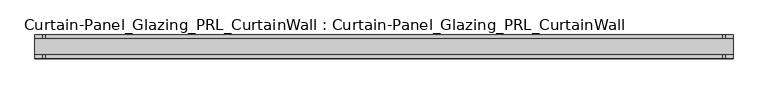
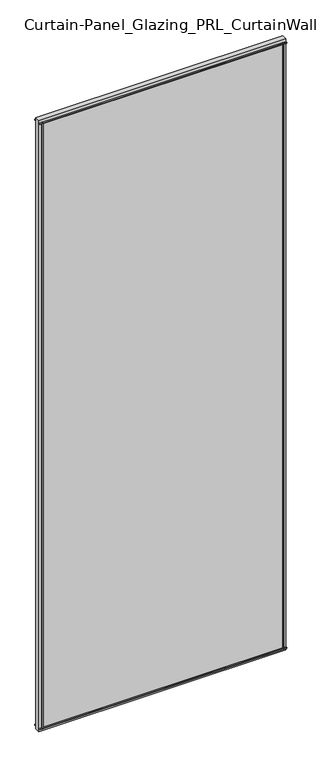
"""IFC4 building model written with IfcOpenShell, lengths in millimetres: plate geometry, Curtain-Panel_Glazing_PRL_CurtainWall : Curtain-Panel_Glazing_PRL_CurtainWall."""

from ifc_helpers import new_model, si_unit, frame, origin, origin_with_axes, place, context, project, spatial, polyline, outline, extrude, source, transform, mapped, element, save


def curtain_panel_glazing_prl_curtainwall_curtain_panel_glazing_eddd1a9b(model_context):
    return source(origin(), model_context, "Body", "SweptSolid", [
        extrude(outline(polyline([(554.967436, -19.05), (550.998686, -19.05), (550.998686, -12.7), (554.967436, -12.7), (554.967436, -19.05)])), frame((0.0, 0.0, 12.7), z_axis=(0.0, 0.0, 1.0), x_axis=(1.0, 0.0, 0.0)), (0.0, 0.0, 1.0), 2946.4),
        extrude(outline(polyline([(554.967436, 19.05), (554.967436, 12.7), (550.998686, 12.7), (550.998686, 19.05), (554.967436, 19.05)])), frame((0.0, 0.0, 12.7), z_axis=(0.0, 0.0, 1.0), x_axis=(1.0, 0.0, 0.0)), (0.0, 0.0, 1.0), 2946.4),
        extrude(outline(polyline([(-554.967436, -19.05), (-554.967436, -12.7), (-550.998686, -12.7), (-550.998686, -19.05), (-554.967436, -19.05)])), frame((0.0, 0.0, 12.7), z_axis=(0.0, 0.0, 1.0), x_axis=(1.0, 0.0, 0.0)), (0.0, 0.0, 1.0), 2946.4),
        extrude(outline(polyline([(-554.967436, 19.05), (-550.998686, 19.05), (-550.998686, 12.7), (-554.967436, 12.7), (-554.967436, 19.05)])), frame((0.0, 0.0, 12.7), z_axis=(0.0, 0.0, 1.0), x_axis=(1.0, 0.0, 0.0)), (0.0, 0.0, 1.0), 2946.4),
        extrude(outline(polyline([(567.667436, 12.7), (567.667436, -12.7), (-567.667436, -12.7), (-567.667436, 12.7), (567.667436, 12.7)])), origin_with_axes(), (0.0, 0.0, 1.0), 2971.8),
        extrude(outline(polyline([(-567.667436, -19.05), (-567.667436, -12.7), (567.667436, -12.7), (567.667436, -19.05), (-567.667436, -19.05)])), frame((0.0, 0.0, 2955.13125), z_axis=(0.0, 0.0, 1.0), x_axis=(1.0, 0.0, 0.0)), (0.0, 0.0, 1.0), 3.96875),
        extrude(outline(polyline([(-567.667436, 19.05), (567.667436, 19.05), (567.667436, 12.7), (-567.667436, 12.7), (-567.667436, 19.05)])), frame((0.0, 0.0, 2955.13125), z_axis=(0.0, 0.0, 1.0), x_axis=(1.0, 0.0, 0.0)), (0.0, 0.0, 1.0), 3.96875),
        extrude(outline(polyline([(-567.667436, -19.05), (-567.667436, -12.7), (567.667436, -12.7), (567.667436, -19.05), (-567.667436, -19.05)])), frame((0.0, 0.0, 12.7), z_axis=(0.0, 0.0, 1.0), x_axis=(1.0, 0.0, 0.0)), (0.0, 0.0, 1.0), 3.96875),
        extrude(outline(polyline([(-567.667436, 19.05), (567.667436, 19.05), (567.667436, 12.7), (-567.667436, 12.7), (-567.667436, 19.05)])), frame((0.0, 0.0, 12.7), z_axis=(0.0, 0.0, 1.0), x_axis=(1.0, 0.0, 0.0)), (0.0, 0.0, 1.0), 3.96875),
    ])


if __name__ == "__main__":
    model = new_model("IFC4")
    model_context = context("Model", 3, world=origin())
    ifc_project = project(units=[si_unit("LENGTHUNIT", "METRE", prefix="MILLI")], contexts=[model_context])
    site = spatial("IfcSite", under=ifc_project)
    building = spatial("IfcBuilding", under=site)
    placement = place(None, origin())
    curtain_panel_glazing_prl_curtainwall_curtain_panel_glazing_shape = curtain_panel_glazing_prl_curtainwall_curtain_panel_glazing_eddd1a9b(model_context)
    element("IfcPlate", 1, ObjectType="Curtain-Panel_Glazing_PRL_CurtainWall : Curtain-Panel_Glazing_PRL_CurtainWall", at=placement, inside=building, context=model_context, shape_type="MappedRepresentation", body=[
        mapped(curtain_panel_glazing_prl_curtainwall_curtain_panel_glazing_shape, transform((0.0, 0.0, 0.0), x_axis=(1.0, 0.0, 0.0), y_axis=(0.0, 1.0, 0.0), z_axis=(0.0, 0.0, 1.0))),
    ])
    save(model, "model.ifc")
